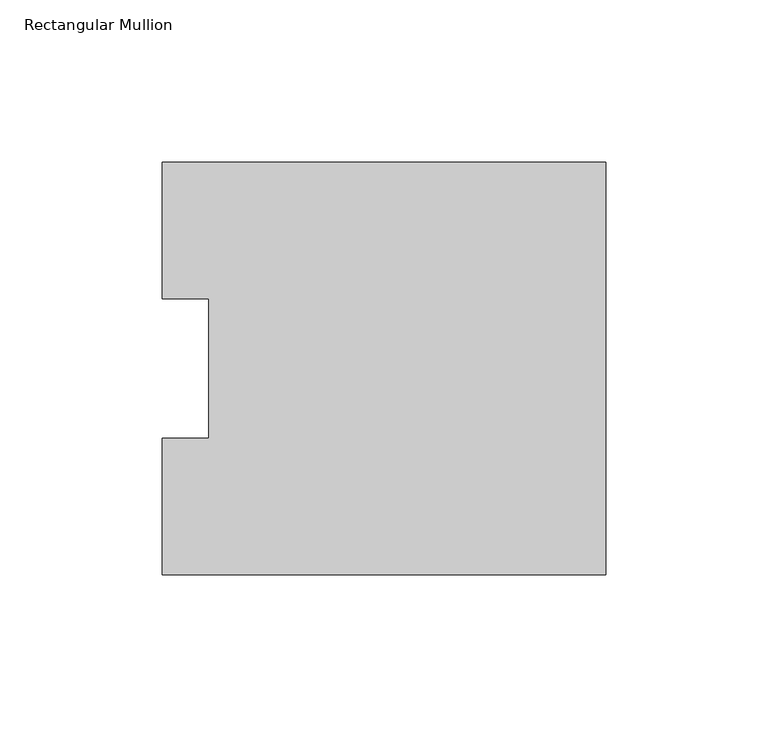
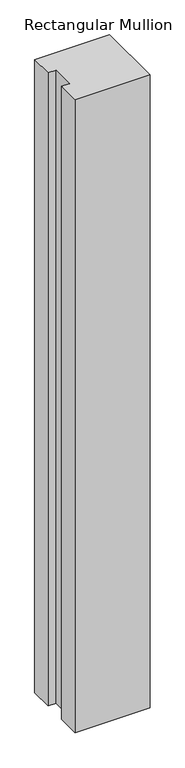
"""IFC4 building model written with IfcOpenShell, lengths in millimetres: member geometry, Rectangular Mullion."""

from ifc_helpers import new_model, si_unit, frame, origin, place, context, project, spatial, polyline, outline, extrude, source, transform, mapped, element, save


def rectangular_mullion_93f32d8a(model_context):
    return source(origin(), model_context, "Body", "SweptSolid", [
        extrude(outline(polyline([(-136.525, 127.00635), (0.0, 127.00635), (0.0, 0.00635), (-136.525, 0.00635), (-136.525, 42.08145), (-122.2375, 42.08145), (-122.2375, 84.93125), (-136.525, 84.93125), (-136.525, 127.00635)])), frame((0.0, 0.0, -1219.2), z_axis=(0.0, 0.0, 1.0), x_axis=(1.0, 0.0, 0.0)), (0.0, 0.0, 1.0), 1219.2),
    ])


if __name__ == "__main__":
    model = new_model("IFC4")
    model_context = context("Model", 3, world=origin())
    ifc_project = project(units=[si_unit("LENGTHUNIT", "METRE", prefix="MILLI")], contexts=[model_context])
    site = spatial("IfcSite", under=ifc_project)
    building = spatial("IfcBuilding", under=site)
    placement = place(None, origin())
    rectangular_mullion_shape = rectangular_mullion_93f32d8a(model_context)
    element("IfcMember", 1, ObjectType="Rectangular Mullion", at=placement, inside=building, context=model_context, shape_type="MappedRepresentation", body=[
        mapped(rectangular_mullion_shape, transform((0.0, 0.0, 0.0), x_axis=(1.0, 0.0, 0.0), y_axis=(0.0, 1.0, 0.0), z_axis=(0.0, 0.0, 1.0))),
    ])
    save(model, "model.ifc")
